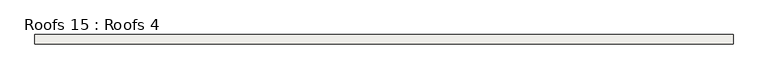
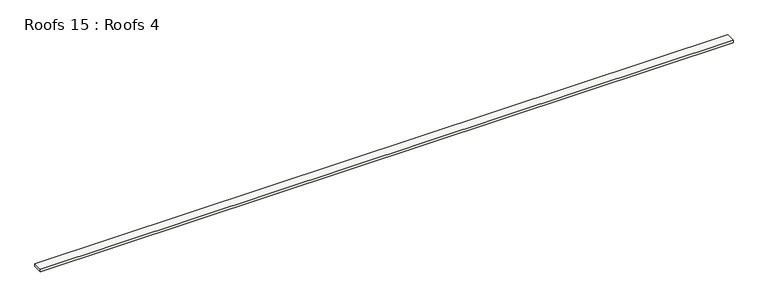
"""IFC4 building model written with IfcOpenShell, lengths in millimetres: roof geometry, Roofs 15 : Roofs 4."""

from ifc_helpers import new_model, si_unit, frame, origin, place, context, project, spatial, polyline, outline, extrude, source, transform, mapped, element, save


def roofs_15_roofs_4_c1bf837f(model_context):
    return source(origin(), model_context, "Body", "SweptSolid", [
        extrude(outline(polyline([(-12602.1969605, -9236.6811541), (-12602.1969605, -9424.0061541), (-26342.8103773, -9424.0061541), (-26342.8103773, -9236.6811541), (-12602.1969605, -9236.6811541)])), frame((0.0, 0.0, -1975.6892053), z_axis=(0.0, 0.0, 1.0), x_axis=(1.0, 0.0, 0.0)), (0.0, 0.0, 1.0), 50.8),
    ])


if __name__ == "__main__":
    model = new_model("IFC4")
    model_context = context("Model", 3, world=origin())
    ifc_project = project(units=[si_unit("LENGTHUNIT", "METRE", prefix="MILLI")], contexts=[model_context])
    site = spatial("IfcSite", under=ifc_project)
    building = spatial("IfcBuilding", under=site)
    placement = place(None, origin())
    roofs_15_roofs_4_shape = roofs_15_roofs_4_c1bf837f(model_context)
    element("IfcRoof", 1, ObjectType="Roofs 15 : Roofs 4", at=placement, inside=building, context=model_context, shape_type="MappedRepresentation", body=[
        mapped(roofs_15_roofs_4_shape, transform((0.0, 0.0, 0.0), x_axis=(1.0, 0.0, 0.0), y_axis=(0.0, 1.0, 0.0), z_axis=(0.0, 0.0, 1.0))),
    ])
    save(model, "model.ifc")
